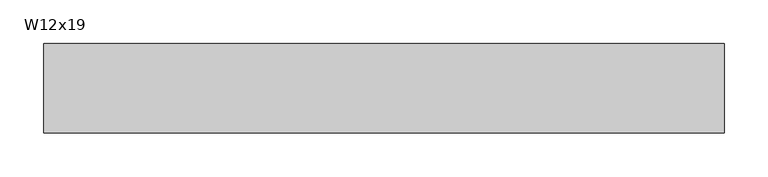
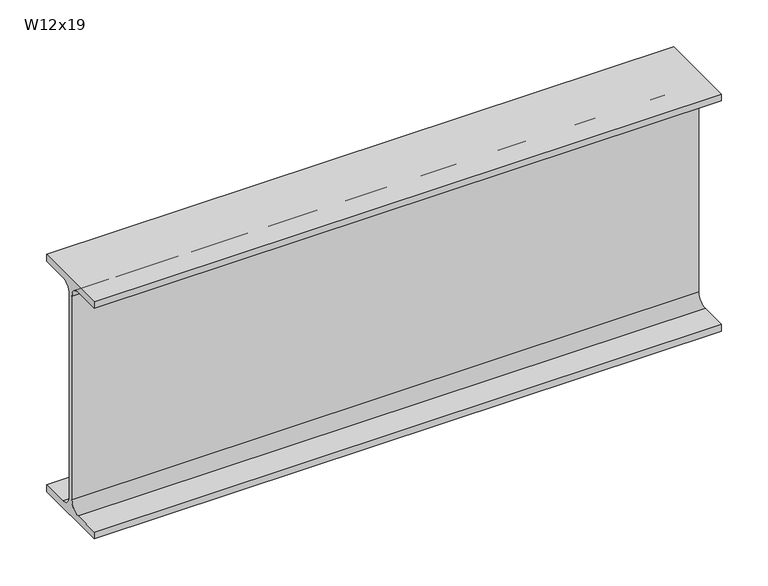
"""IFC4 building model written with IfcOpenShell, lengths in millimetres: beam geometry, W12x19."""

from ifc_helpers import new_model, si_unit, point, frame, frame_2d, origin, place, context, project, spatial, polyline, circle_curve, trimmed, segment, composite_curve, outline, extrude, source, transform, mapped, element, save


def w12x19_991b018e(model_context):
    return source(origin(), model_context, "Body", "SweptSolid", [
        extrude(outline(composite_curve([segment(polyline([(50.927, -146.05), (50.927, -154.94), (-50.927, -154.94), (-50.927, -146.05), (-16.3195, -146.05)]), True, "CONTINUOUS"), segment(trimmed(circle_curve(frame_2d((-16.3195, -132.715)), 13.335), [point((-16.3195, -146.05))], [point((-2.9845, -132.715))], True, "CARTESIAN"), True, "CONTINUOUS"), segment(polyline([(-2.9845, -132.715), (-2.9845, 132.715)]), True, "CONTINUOUS"), segment(trimmed(circle_curve(frame_2d((-16.3195, 132.715)), 13.335), [point((-2.9845, 132.715))], [point((-16.3195, 146.05))], True, "CARTESIAN"), True, "CONTINUOUS"), segment(polyline([(-16.3195, 146.05), (-50.927, 146.05), (-50.927, 154.94), (50.927, 154.94), (50.927, 146.05), (16.3195, 146.05)]), True, "CONTINUOUS"), segment(trimmed(circle_curve(frame_2d((16.3195, 132.715)), 13.335), [point((16.3195, 146.05))], [point((2.9845, 132.715))], True, "CARTESIAN"), True, "CONTINUOUS"), segment(polyline([(2.9845, 132.715), (2.9845, -132.715)]), True, "CONTINUOUS"), segment(trimmed(circle_curve(frame_2d((16.3195, -132.715)), 13.335), [point((2.9845, -132.715))], [point((16.3195, -146.05))], True, "CARTESIAN"), True, "CONTINUOUS"), segment(polyline([(16.3195, -146.05), (50.927, -146.05)]), True, "CONTINUOUS")], self_intersect=False)), frame((-342.9, 0.0, 0.0), z_axis=(1.0, 0.0, 0.0), x_axis=(0.0, 1.0, 0.0)), (0.0, 0.0, 1.0), 774.7),
    ])


if __name__ == "__main__":
    model = new_model("IFC4")
    model_context = context("Model", 3, world=origin())
    ifc_project = project(units=[si_unit("LENGTHUNIT", "METRE", prefix="MILLI")], contexts=[model_context])
    site = spatial("IfcSite", under=ifc_project)
    building = spatial("IfcBuilding", under=site)
    placement = place(None, origin())
    w12x19_shape = w12x19_991b018e(model_context)
    element("IfcBeam", 1, ObjectType="W12x19", at=placement, inside=building, context=model_context, shape_type="MappedRepresentation", body=[
        mapped(w12x19_shape, transform((0.0, 0.0, 0.0), x_axis=(1.0, 0.0, 0.0), y_axis=(0.0, 1.0, 0.0), z_axis=(0.0, 0.0, 1.0))),
    ])
    save(model, "model.ifc")
